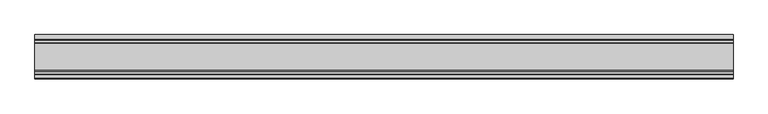
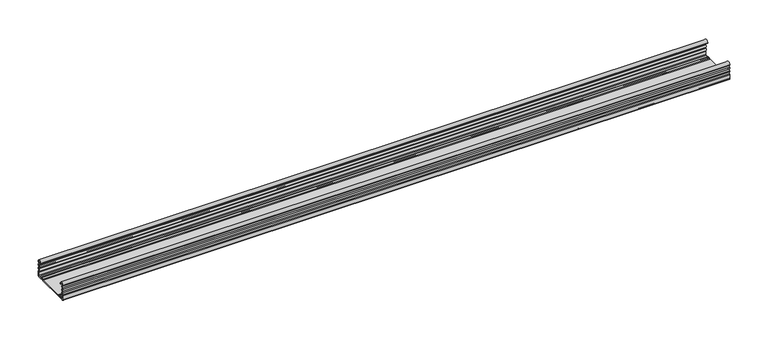
"""IFC4 building model written with IfcOpenShell, lengths in millimetres: proxy geometry."""

from ifc_helpers import new_model, si_unit, point, frame, frame_2d, origin, place, context, project, spatial, polyline, circle_curve, trimmed, segment, composite_curve, outline, extrude, source, transform, mapped, element, save


def generic_models_1983ee9a(model_context):
    return source(origin(), model_context, "Body", "SweptSolid", [
        extrude(outline(composite_curve([segment(polyline([(19.9828611, 0.0), (-20.0175714, 0.0)]), True, "CONTINUOUS"), segment(trimmed(circle_curve(frame_2d((-20.0175714, 1.8)), 1.8), [point((-20.0175714, 0.0))], [point((-21.3373532, 0.576))], False, "CARTESIAN"), True, "CONTINUOUS"), segment(trimmed(circle_curve(frame_2d((-22.7671168, -0.75)), 1.95), [point((-21.3373532, 0.576))], [point((-24.1968804, 0.576))], True, "CARTESIAN"), True, "CONTINUOUS"), segment(trimmed(circle_curve(frame_2d((-25.5166622, 1.8)), 1.8), [point((-24.1968804, 0.576))], [point((-25.5166622, 0.0))], False, "CARTESIAN"), True, "CONTINUOUS"), segment(polyline([(-25.5166622, 0.0), (-30.8347103, 0.0)]), True, "CONTINUOUS"), segment(trimmed(circle_curve(frame_2d((-30.8347103, 1.2)), 1.2), [point((-30.8347103, 0.0))], [point((-32.0347103, 1.2))], False, "CARTESIAN"), True, "CONTINUOUS"), segment(polyline([(-32.0347103, 1.2), (-32.0347103, 7.6415603)]), True, "CONTINUOUS"), segment(trimmed(circle_curve(frame_2d((-30.2347103, 7.6415603)), 1.8), [point((-32.0347103, 7.6415603))], [point((-31.4587103, 8.9613421))], False, "CARTESIAN"), True, "CONTINUOUS"), segment(trimmed(circle_curve(frame_2d((-32.7847103, 10.3911057)), 1.95), [point((-31.4587103, 8.9613421))], [point((-31.4587103, 11.8208693))], True, "CARTESIAN"), True, "CONTINUOUS"), segment(trimmed(circle_curve(frame_2d((-30.2347103, 13.1406511)), 1.8), [point((-31.4587103, 11.8208693))], [point((-31.7200441, 14.1574026))], False, "CARTESIAN"), True, "CONTINUOUS"), segment(trimmed(circle_curve(frame_2d((-32.7847103, 15.7911057)), 1.95), [point((-31.7200441, 14.1574026))], [point((-31.7200441, 17.4248088))], True, "CARTESIAN"), True, "CONTINUOUS"), segment(trimmed(circle_curve(frame_2d((-30.2347103, 18.4415603)), 1.8), [point((-31.7200441, 17.4248088))], [point((-31.4587103, 19.7613421))], False, "CARTESIAN"), True, "CONTINUOUS"), segment(trimmed(circle_curve(frame_2d((-32.7847103, 21.1911057)), 1.95), [point((-31.4587103, 19.7613421))], [point((-31.4587103, 22.6208693))], True, "CARTESIAN"), True, "CONTINUOUS"), segment(trimmed(circle_curve(frame_2d((-30.2347103, 23.9406511)), 1.8), [point((-31.4587103, 22.6208693))], [point((-32.0337754, 23.8826448))], False, "CARTESIAN"), True, "CONTINUOUS"), segment(trimmed(circle_curve(frame_2d((-28.9164203, 23.8826448)), 3.1173552), [point((-32.0337754, 23.8826448))], [point((-25.7990651, 23.8826448))], False, "CARTESIAN"), True, "CONTINUOUS"), segment(polyline([(-25.7990651, 23.8826448), (-25.7990651, 23.0407729), (-26.9990651, 23.0407729), (-26.9990651, 23.8826448)]), True, "CONTINUOUS"), segment(trimmed(circle_curve(frame_2d((-28.9164203, 23.8826448)), 1.9173552), [point((-26.9990651, 23.8826448))], [point((-30.7861491, 24.3073386))], True, "CARTESIAN"), True, "CONTINUOUS"), segment(trimmed(circle_curve(frame_2d((-29.8109887, 24.0858388)), 1.0), [point((-30.7861491, 24.3073386))], [point((-30.5275481, 23.3883128))], True, "CARTESIAN"), True, "CONTINUOUS"), segment(trimmed(circle_curve(frame_2d((-32.7847103, 21.1911057)), 3.15), [point((-30.5275481, 23.3883128))], [point((-30.392542, 19.1417081))], False, "CARTESIAN"), True, "CONTINUOUS"), segment(trimmed(circle_curve(frame_2d((-29.6331234, 18.4911057)), 1.0), [point((-30.392542, 19.1417081))], [point((-30.392542, 17.8405033))], True, "CARTESIAN"), True, "CONTINUOUS"), segment(trimmed(circle_curve(frame_2d((-32.7847103, 15.7911057)), 3.15), [point((-30.392542, 17.8405033))], [point((-30.392542, 13.7417081))], False, "CARTESIAN"), True, "CONTINUOUS"), segment(trimmed(circle_curve(frame_2d((-29.6331234, 13.0911057)), 1.0), [point((-30.392542, 13.7417081))], [point((-30.392542, 12.4405033))], True, "CARTESIAN"), True, "CONTINUOUS"), segment(trimmed(circle_curve(frame_2d((-32.7847103, 10.3911057)), 3.15), [point((-30.392542, 12.4405033))], [point((-30.3686909, 8.3698808))], False, "CARTESIAN"), True, "CONTINUOUS"), segment(trimmed(circle_curve(frame_2d((-28.8347103, 7.0865634)), 2.0), [point((-30.3686909, 8.3698808))], [point((-30.8347103, 7.0865634))], True, "CARTESIAN"), True, "CONTINUOUS"), segment(polyline([(-30.8347103, 7.0865634), (-30.8347103, 2.4)]), True, "CONTINUOUS"), segment(trimmed(circle_curve(frame_2d((-29.6347103, 2.4)), 1.2), [point((-30.8347103, 2.4))], [point((-29.6347103, 1.2))], True, "CARTESIAN"), True, "CONTINUOUS"), segment(polyline([(-29.6347103, 1.2), (-26.4167743, 1.2)]), True, "CONTINUOUS"), segment(trimmed(circle_curve(frame_2d((-26.4167743, 4.2)), 3.0), [point((-26.4167743, 1.2))], [point((-24.6364536, 1.7853659))], True, "CARTESIAN"), True, "CONTINUOUS"), segment(trimmed(circle_curve(frame_2d((-22.7671168, -0.75)), 3.15), [point((-24.6364536, 1.7853659))], [point((-20.89778, 1.7853659))], False, "CARTESIAN"), True, "CONTINUOUS"), segment(trimmed(circle_curve(frame_2d((-19.1174593, 4.2)), 3.0), [point((-20.89778, 1.7853659))], [point((-19.1174593, 1.2))], True, "CARTESIAN"), True, "CONTINUOUS"), segment(polyline([(-19.1174593, 1.2), (19.082749, 1.2)]), True, "CONTINUOUS"), segment(trimmed(circle_curve(frame_2d((19.082749, 4.2)), 3.0), [point((19.082749, 1.2))], [point((20.8630697, 1.7853659))], True, "CARTESIAN"), True, "CONTINUOUS"), segment(trimmed(circle_curve(frame_2d((22.7324065, -0.75)), 3.15), [point((20.8630697, 1.7853659))], [point((24.6017433, 1.7853659))], False, "CARTESIAN"), True, "CONTINUOUS"), segment(trimmed(circle_curve(frame_2d((26.382064, 4.2)), 3.0), [point((24.6017433, 1.7853659))], [point((26.382064, 1.2))], True, "CARTESIAN"), True, "CONTINUOUS"), segment(polyline([(26.382064, 1.2), (29.6182196, 1.2)]), True, "CONTINUOUS"), segment(trimmed(circle_curve(frame_2d((29.6182196, 2.3817804)), 1.1817804), [point((29.6182196, 1.2))], [point((30.8, 2.3817804))], True, "CARTESIAN"), True, "CONTINUOUS"), segment(polyline([(30.8, 2.3817804), (30.8, 7.0865634)]), True, "CONTINUOUS"), segment(trimmed(circle_curve(frame_2d((28.8, 7.0865634)), 2.0), [point((30.8, 7.0865634))], [point((30.3339806, 8.3698808))], True, "CARTESIAN"), True, "CONTINUOUS"), segment(trimmed(circle_curve(frame_2d((32.75, 10.3911057)), 3.15), [point((30.3339806, 8.3698808))], [point((30.3578316, 12.4405033))], False, "CARTESIAN"), True, "CONTINUOUS"), segment(trimmed(circle_curve(frame_2d((29.5984131, 13.0911057)), 1.0), [point((30.3578316, 12.4405033))], [point((30.3578316, 13.7417081))], True, "CARTESIAN"), True, "CONTINUOUS"), segment(trimmed(circle_curve(frame_2d((32.75, 15.7911057)), 3.15), [point((30.3578316, 13.7417081))], [point((30.3578316, 17.8405033))], False, "CARTESIAN"), True, "CONTINUOUS"), segment(trimmed(circle_curve(frame_2d((29.5984131, 18.4911057)), 1.0), [point((30.3578316, 17.8405033))], [point((30.3578316, 19.1417081))], True, "CARTESIAN"), True, "CONTINUOUS"), segment(trimmed(circle_curve(frame_2d((32.75, 21.1911057)), 3.15), [point((30.3578316, 19.1417081))], [point((30.4928378, 23.3883128))], False, "CARTESIAN"), True, "CONTINUOUS"), segment(trimmed(circle_curve(frame_2d((29.7762784, 24.0858388)), 1.0), [point((30.4928378, 23.3883128))], [point((30.7514388, 24.3073386))], True, "CARTESIAN"), True, "CONTINUOUS"), segment(trimmed(circle_curve(frame_2d((28.8817099, 23.8826448)), 1.9173552), [point((30.7514388, 24.3073386))], [point((26.9643548, 23.8826448))], True, "CARTESIAN"), True, "CONTINUOUS"), segment(polyline([(26.9643548, 23.8826448), (26.9643548, 23.0407729), (25.7643548, 23.0407729), (25.7643548, 23.8826448)]), True, "CONTINUOUS"), segment(trimmed(circle_curve(frame_2d((28.8817099, 23.8826448)), 3.1173552), [point((25.7643548, 23.8826448))], [point((31.9990651, 23.8826448))], False, "CARTESIAN"), True, "CONTINUOUS"), segment(trimmed(circle_curve(frame_2d((30.2, 23.9406511)), 1.8), [point((31.9990651, 23.8826448))], [point((31.424, 22.6208693))], False, "CARTESIAN"), True, "CONTINUOUS"), segment(trimmed(circle_curve(frame_2d((32.75, 21.1911057)), 1.95), [point((31.424, 22.6208693))], [point((31.424, 19.7613421))], True, "CARTESIAN"), True, "CONTINUOUS"), segment(trimmed(circle_curve(frame_2d((30.2, 18.4415603)), 1.8), [point((31.424, 19.7613421))], [point((31.6853338, 17.4248088))], False, "CARTESIAN"), True, "CONTINUOUS"), segment(trimmed(circle_curve(frame_2d((32.75, 15.7911057)), 1.95), [point((31.6853338, 17.4248088))], [point((31.6853338, 14.1574026))], True, "CARTESIAN"), True, "CONTINUOUS"), segment(trimmed(circle_curve(frame_2d((30.2, 13.1406511)), 1.8), [point((31.6853338, 14.1574026))], [point((31.424, 11.8208693))], False, "CARTESIAN"), True, "CONTINUOUS"), segment(trimmed(circle_curve(frame_2d((32.75, 10.3911057)), 1.95), [point((31.424, 11.8208693))], [point((31.424, 8.9613421))], True, "CARTESIAN"), True, "CONTINUOUS"), segment(trimmed(circle_curve(frame_2d((30.2, 7.6415603)), 1.8), [point((31.424, 8.9613421))], [point((32.0, 7.6415603))], False, "CARTESIAN"), True, "CONTINUOUS"), segment(polyline([(32.0, 7.6415603), (32.0, 1.2)]), True, "CONTINUOUS"), segment(trimmed(circle_curve(frame_2d((30.8, 1.2)), 1.2), [point((32.0, 1.2))], [point((30.8, 0.0))], False, "CARTESIAN"), True, "CONTINUOUS"), segment(polyline([(30.8, 0.0), (25.4819519, 0.0)]), True, "CONTINUOUS"), segment(trimmed(circle_curve(frame_2d((25.4819519, 1.8)), 1.8), [point((25.4819519, 0.0))], [point((24.1621701, 0.576))], False, "CARTESIAN"), True, "CONTINUOUS"), segment(trimmed(circle_curve(frame_2d((22.7324065, -0.75)), 1.95), [point((24.1621701, 0.576))], [point((21.3026429, 0.576))], True, "CARTESIAN"), True, "CONTINUOUS"), segment(trimmed(circle_curve(frame_2d((19.9828611, 1.8)), 1.8), [point((21.3026429, 0.576))], [point((19.9828611, 0.0))], False, "CARTESIAN"), True, "CONTINUOUS")], self_intersect=False)), frame((-502.4351864, 0.0, 0.0), z_axis=(1.0, 0.0, 0.0), x_axis=(0.0, 1.0, 0.0)), (0.0, 0.0, 1.0), 1004.8703729),
    ])


if __name__ == "__main__":
    model = new_model("IFC4")
    model_context = context("Model", 3, world=origin())
    ifc_project = project(units=[si_unit("LENGTHUNIT", "METRE", prefix="MILLI")], contexts=[model_context])
    site = spatial("IfcSite", under=ifc_project)
    building = spatial("IfcBuilding", under=site)
    placement = place(None, origin())
    generic_models_shape = generic_models_1983ee9a(model_context)
    element("IfcBuildingElementProxy", 1, Name="Generic Models", at=placement, inside=building, context=model_context, shape_type="MappedRepresentation", body=[
        mapped(generic_models_shape, transform((0.0, 0.0, 0.0), x_axis=(1.0, 0.0, 0.0), y_axis=(0.0, 1.0, 0.0), z_axis=(0.0, 0.0, 1.0))),
    ])
    save(model, "model.ifc")
